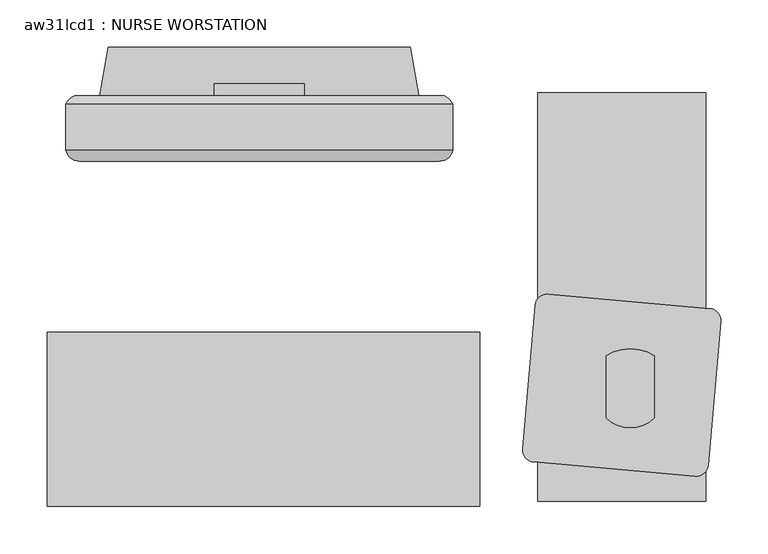
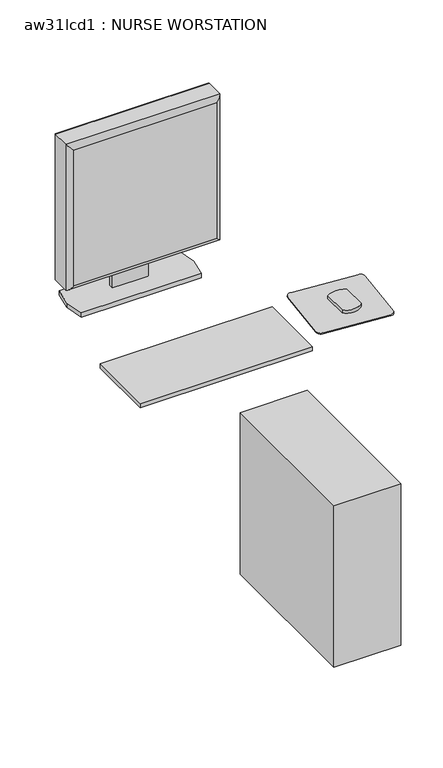
"""IFC4 building model written with IfcOpenShell, lengths in millimetres: proxy geometry, aw31lcd1 : NURSE WORSTATION."""

from ifc_helpers import new_model, si_unit, point, frame, frame_2d, origin, origin_with_axes, place, context, project, spatial, polyline, circle_curve, ellipse_curve, trimmed, segment, composite_curve, outline, extrude, source, transform, mapped, element, save
from ifc_brep_helpers import plane_surface, cylinder_surface, advanced_brep


def aw31lcd1_nurse_worstation_05256b79(model_context):
    return source(origin(), model_context, "Body", "SolidModel", [
        advanced_brep(
        [(-446.532, -60.291636, 1419.86), (-446.532, -103.4223166, 1419.86), (-446.532, -108.4193594, 1419.86), (-37.592, -108.4193594, 1419.86), (-37.592, -103.4223166, 1419.86), (-37.592, -60.291636, 1419.86), (-37.592, -60.291636, 1010.2963264), (-37.592, -103.4223166, 1010.2963264), (-37.592, -108.4193594, 1010.2963264), (-446.532, -108.4193594, 1010.2963264), (-446.532, -103.4223166, 1010.2963264), (-446.532, -60.291636, 1010.2963264), (-437.294364, -51.054, 1019.5339624), (-437.294364, -51.054, 1410.622364), (-46.829636, -51.054, 1410.622364), (-46.829636, -51.054, 1019.5339624), (-432.3678394, -120.3036769, 1405.694569), (-432.3678394, -120.3036769, 1024.4617574), (-51.757431, -120.3036769, 1024.460487), (-51.7561606, -120.3036769, 1405.694569)],
        [
            (0, 1),
            (1, 2),
            (2, 3),
            (3, 4),
            (4, 5),
            (5, 0),
            (6, 7),
            (7, 8),
            (8, 9),
            (9, 10),
            (10, 11),
            (11, 6),
            (12, 13),
            (13, 14),
            (14, 15),
            (15, 12),
            (0, 11),
            (9, 2),
            (16, 17),
            (17, 18),
            (18, 19),
            (19, 16),
            (3, 8),
            (6, 5),
            (12, 11, ellipse_curve(frame((-430.4173117, -67.1686883, 1026.4110147), z_axis=(-0.7071067811865452, 0.0, 0.7071067811865498), x_axis=(-0.7071067811865498, 0.0, -0.7071067811865452)), 24.7780962, 17.5207599)),
            (0, 13, ellipse_curve(frame((-430.4173117, -67.1686883, 1403.7453117), z_axis=(-0.7071067811865498, 0.0, -0.7071067811865452), x_axis=(0.7071067811865452, 0.0, -0.7071067811865498)), 24.7780962, 17.5207599)),
            (16, 2, ellipse_curve(frame((-432.3678394, -105.920838, 1405.6958394), z_axis=(-0.7071067811865498, 0.0, -0.7071067811865452), x_axis=(0.7071067811865452, 0.0, -0.7071067811865498)), 20.3404059, 14.3828389)),
            (9, 17, ellipse_curve(frame((-432.3678394, -105.920838, 1024.460487), z_axis=(-0.7071067811865452, 0.0, 0.7071067811865498), x_axis=(-0.7071067811865498, 0.0, -0.7071067811865452)), 20.3404059, 14.3828389)),
            (15, 6, ellipse_curve(frame((-53.7066883, -67.1686883, 1026.4110147), z_axis=(-0.7071067811865498, 0.0, -0.7071067811865452), x_axis=(0.7071067811865452, 0.0, -0.7071067811865497)), 24.7780962, 17.5207599)),
            (8, 18, ellipse_curve(frame((-51.7561606, -105.920838, 1024.460487), z_axis=(-0.7071067811865498, 0.0, -0.7071067811865452), x_axis=(0.7071067811865452, 0.0, -0.7071067811865497)), 20.3404059, 14.3828389)),
            (14, 5, ellipse_curve(frame((-53.7066883, -67.1686883, 1403.7453117), z_axis=(0.7071067811865452, 0.0, -0.7071067811865498), x_axis=(0.7071067811865498, 0.0, 0.7071067811865452)), 24.7780962, 17.5207599)),
            (3, 19, ellipse_curve(frame((-51.7561606, -105.920838, 1405.6958394), z_axis=(0.7071067811865452, 0.0, -0.7071067811865498), x_axis=(0.7071067811865498, 0.0, 0.7071067811865452)), 20.3404059, 14.3828389)),
        ],
        [
            plane_surface(frame((-441.452, -51.054, 1419.86), z_axis=(0.0, 0.0, 1.0), x_axis=(-1.0, 0.0, 0.0))),
            plane_surface(frame((-441.452, -51.054, 1010.2963264), z_axis=(0.0, 0.0, -1.0), x_axis=(1.0, 0.0, 0.0))),
            plane_surface(frame((-37.592, -51.054, 1419.86), z_axis=(0.0, 1.0, 0.0), x_axis=(0.0, 0.0, -1.0))),
            plane_surface(frame((-446.532, -51.054, 1419.86), z_axis=(-1.0, 0.0, 0.0), x_axis=(0.0, 0.0, -1.0))),
            plane_surface(frame((-446.532, -120.3036769, 1419.86), z_axis=(0.0, -1.0, 0.0), x_axis=(0.0, 0.0, -1.0))),
            plane_surface(frame((-37.592, -120.3036769, 1419.86), z_axis=(1.0, 0.0, 0.0), x_axis=(0.0, 0.0, -1.0))),
            cylinder_surface(frame((-430.4173117, -67.1686883, 1419.86), z_axis=(0.0, 0.0, -1.0), x_axis=(0.0, 1.0, 0.0)), 17.5207599),
            cylinder_surface(frame((-432.3678394, -105.920838, 1419.86), z_axis=(0.0, 0.0, -1.0), x_axis=(0.0, 1.0, 0.0)), 14.3828389),
            cylinder_surface(frame((-446.532, -67.1686883, 1026.4110147), z_axis=(1.0, 0.0, 0.0), x_axis=(0.0, 1.0, 0.0)), 17.5207599),
            cylinder_surface(frame((-446.532, -105.920838, 1024.460487), z_axis=(1.0, 0.0, 0.0), x_axis=(0.0, 1.0, 0.0)), 14.3828389),
            cylinder_surface(frame((-53.7066883, -67.1686883, 1010.2963264), z_axis=(0.0, 0.0, 1.0), x_axis=(0.0, 1.0, 0.0)), 17.5207599),
            cylinder_surface(frame((-51.7561606, -105.920838, 1010.2963264), z_axis=(0.0, 0.0, 1.0), x_axis=(0.0, 1.0, 0.0)), 14.3828389),
            cylinder_surface(frame((-37.592, -67.1686883, 1403.7453117), z_axis=(-1.0, 0.0, 0.0), x_axis=(0.0, 1.0, 0.0)), 17.5207599),
            cylinder_surface(frame((-37.592, -105.920838, 1405.6958394), z_axis=(-1.0, 0.0, 0.0), x_axis=(0.0, 1.0, 0.0)), 14.3828389),
        ],
        [
            (0, [[1, 2, 3, 4, 5, 6]]),
            (1, [[7, 8, 9, 10, 11, 12]]),
            (2, [[13, 14, 15, 16]]),
            (3, [[-1, 17, -11, -10, 18, -2]]),
            (4, [[19, 20, 21, 22]]),
            (5, [[-5, -4, 23, -8, -7, 24]]),
            (6, [[25, -17, 26, -13]]),
            (7, [[27, -18, 28, -19]]),
            (8, [[-25, -16, 29, -12]]),
            (9, [[30, -20, -28, -9]]),
            (10, [[-29, -15, 31, -24]]),
            (11, [[32, -21, -30, -23]]),
            (12, [[-26, -6, -31, -14]]),
            (13, [[-27, -22, -32, -3]]),
        ],
    ),
        extrude(outline(polyline([(-421.132, -114.3898978), (-62.992, -114.3898978), (-62.992, -120.3036769), (-421.132, -120.3036769), (-421.132, -114.3898978)])), frame((0.0, 0.0, 1035.6963264), z_axis=(0.0, 0.0, 1.0), x_axis=(1.0, 0.0, 0.0)), (0.0, 0.0, 1.0), 358.7636736),
        extrude(outline(polyline([(-51.054, 1236.2794056), (-38.3728288, 1236.2794056), (-38.3728288, 926.6153731), (-51.054, 926.6153731), (-51.054, 1006.8339624), (-48.3167676, 1006.8339624), (-48.3167676, 1019.5339624), (-51.054, 1019.5339624), (-51.054, 1236.2794056)])), frame((-289.687, 0.0, 0.0), z_axis=(1.0, 0.0, 0.0), x_axis=(0.0, 1.0, 0.0)), (0.0, 0.0, 1.0), 95.25),
        extrude(outline(polyline([(52.2571182, -479.6366912), (52.2571182, -47.8366912), (230.0571182, -47.8366912), (230.0571182, -479.6366912), (52.2571182, -479.6366912)])), origin_with_axes(), (0.0, 0.0, 1.0), 454.66),
        extrude(outline(composite_curve([segment(trimmed(circle_curve(frame_2d((62.1568491, -273.7284831)), 12.7), [point((49.5051764, -272.6216051))], [point((63.263727, -261.0768104))], False, "CARTESIAN"), True, "CONTINUOUS"), segment(polyline([(63.263727, -261.0768104), (234.061308, -276.0196625)]), True, "CONTINUOUS"), segment(trimmed(circle_curve(frame_2d((232.95443, -288.6713351)), 12.7), [point((234.061308, -276.0196625))], [point((245.6061027, -289.7782131))], False, "CARTESIAN"), True, "CONTINUOUS"), segment(polyline([(245.6061027, -289.7782131), (232.3235675, -441.5982851)]), True, "CONTINUOUS"), segment(trimmed(circle_curve(frame_2d((219.6718948, -440.4914071)), 12.7), [point((232.3235675, -441.5982851))], [point((218.5650169, -453.1430798))], False, "CARTESIAN"), True, "CONTINUOUS"), segment(polyline([(218.5650169, -453.1430798), (47.7674359, -438.2002277)]), True, "CONTINUOUS"), segment(trimmed(circle_curve(frame_2d((48.8743139, -425.548555)), 12.7), [point((47.7674359, -438.2002277))], [point((36.2226412, -424.4416771))], False, "CARTESIAN"), True, "CONTINUOUS"), segment(polyline([(36.2226412, -424.4416771), (49.5051764, -272.6216051)]), True, "CONTINUOUS")], self_intersect=False)), frame((0.0, 0.0, 914.4), z_axis=(0.0, 0.0, 1.0), x_axis=(1.0, 0.0, 0.0)), (0.0, 0.0, 1.0), 2.9133962),
        extrude(outline(composite_curve([segment(trimmed(circle_curve(frame_2d((150.0995334, -366.585111)), 35.5491443), [point((175.4995334, -391.4564129))], [point((124.6995334, -391.4564129))], False, "CARTESIAN"), True, "CONTINUOUS"), segment(polyline([(124.6995334, -391.4564129), (124.6995334, -326.1610662)]), True, "CONTINUOUS"), segment(trimmed(circle_curve(frame_2d((150.0995334, -364.3384793)), 45.8549329), [point((124.6995334, -326.1610662))], [point((175.4995334, -326.1610662))], False, "CARTESIAN"), True, "CONTINUOUS"), segment(polyline([(175.4995334, -326.1610662), (175.4995334, -391.4564129)]), True, "CONTINUOUS")], self_intersect=False)), frame((0.0, 0.0, 917.3133962), z_axis=(0.0, 0.0, 1.0), x_axis=(1.0, 0.0, 0.0)), (0.0, 0.0, 1.0), 9.3019768),
        extrude(outline(polyline([(-410.718, -51.054), (-401.574, 0.0), (-82.55, 0.0), (-73.406, -51.054), (-82.55, -102.108), (-401.574, -102.108), (-410.718, -51.054)])), frame((0.0, 0.0, 914.4), z_axis=(0.0, 0.0, 1.0), x_axis=(1.0, 0.0, 0.0)), (0.0, 0.0, 1.0), 12.2153731),
        extrude(outline(polyline([(-8.990178, -301.0506768), (-8.990178, -485.2006768), (-466.190178, -485.2006768), (-466.190178, -301.0506768), (-8.990178, -301.0506768)])), frame((0.0, 0.0, 914.4), z_axis=(0.0, 0.0, 1.0), x_axis=(1.0, 0.0, 0.0)), (0.0, 0.0, 1.0), 12.2153731),
    ])


if __name__ == "__main__":
    model = new_model("IFC4")
    model_context = context("Model", 3, world=origin())
    ifc_project = project(units=[si_unit("LENGTHUNIT", "METRE", prefix="MILLI")], contexts=[model_context])
    site = spatial("IfcSite", under=ifc_project)
    building = spatial("IfcBuilding", under=site)
    placement = place(None, origin())
    aw31lcd1_nurse_worstation_shape = aw31lcd1_nurse_worstation_05256b79(model_context)
    element("IfcBuildingElementProxy", 1, Name="aw31lcd1 : NURSE WORSTATION", ObjectType="aw31lcd1 : NURSE WORSTATION", at=placement, inside=building, context=model_context, shape_type="MappedRepresentation", body=[
        mapped(aw31lcd1_nurse_worstation_shape, transform((0.0, 0.0, 0.0), x_axis=(1.0, 0.0, 0.0), y_axis=(0.0, 1.0, 0.0), z_axis=(0.0, 0.0, 1.0))),
    ])
    save(model, "model.ifc")
